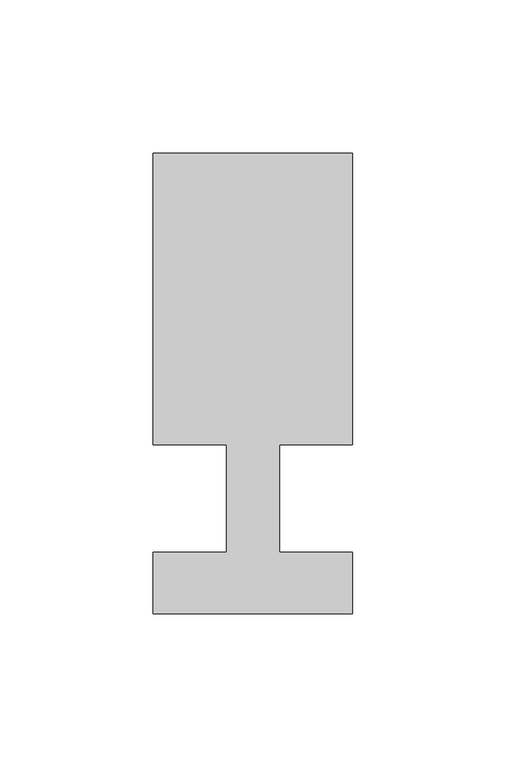
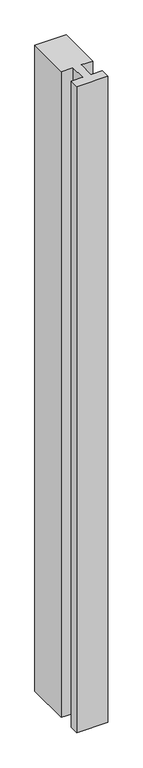
"""IFC4 building model written with IfcOpenShell, lengths in millimetres: member geometry."""

from ifc_helpers import new_model, si_unit, frame, origin, place, context, project, spatial, polyline, outline, extrude, source, transform, mapped, element, save


def member_fcbd2dea(model_context):
    return source(origin(), model_context, "Body", "SweptSolid", [
        extrude(outline(polyline([(-32.5, -37.0), (-32.5, -17.0), (-8.6875, -17.0), (-8.6875, 18.0), (-32.5, 18.0), (-32.5, 113.0), (32.5, 113.0), (32.5, 18.0), (8.6875, 18.0), (8.6875, -17.0), (32.5, -17.0), (32.5, -37.0), (-32.5, -37.0)])), frame((0.0, 0.0, -1418.7435565), z_axis=(0.0, 0.0, 1.0), x_axis=(1.0, 0.0, 0.0)), (0.0, 0.0, 1.0), 1418.7435565),
    ])


if __name__ == "__main__":
    model = new_model("IFC4")
    model_context = context("Model", 3, world=origin())
    ifc_project = project(units=[si_unit("LENGTHUNIT", "METRE", prefix="MILLI")], contexts=[model_context])
    site = spatial("IfcSite", under=ifc_project)
    building = spatial("IfcBuilding", under=site)
    placement = place(None, origin())
    member_shape = member_fcbd2dea(model_context)
    element("IfcMember", 1, at=placement, inside=building, context=model_context, shape_type="MappedRepresentation", body=[
        mapped(member_shape, transform((0.0, 0.0, 0.0), x_axis=(1.0, 0.0, 0.0), y_axis=(0.0, 1.0, 0.0), z_axis=(0.0, 0.0, 1.0))),
    ])
    save(model, "model.ifc")
